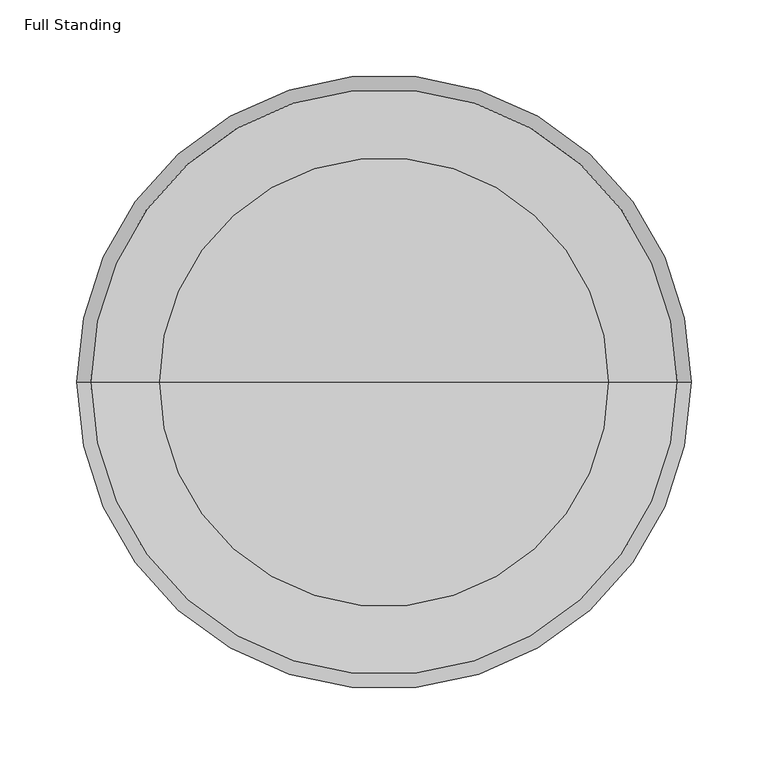
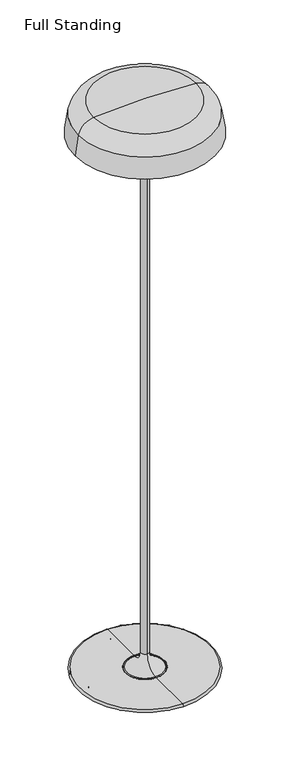
"""IFC4 building model written with IfcOpenShell, lengths in millimetres: light fixture geometry, Full Standing."""

from ifc_helpers import new_model, si_unit, point, frame, frame_2d, origin, origin_with_axes, place, context, project, spatial, polyline, circle_curve, ellipse_curve, trimmed, segment, composite_curve, outline, extrude, source, transform, mapped, element, save
from ifc_brep_helpers import plane_surface, cylinder_surface, revolved_surface, advanced_brep


def full_standing_7d6ab086(model_context):
    return source(origin(), model_context, "Body", "SolidModel", [
        advanced_brep(
        [(199.9486931, 0.0, 1622.2970524), (-200.1013069, 0.0, 1622.2970524), (-191.022028, 0.0, 1682.0025311), (190.8694141, 0.0, 1682.0025311), (197.3636976, 0.0, 1622.2970524), (-197.5163114, 0.0, 1622.2970524), (188.3624242, 0.0, 1681.3944283), (-188.515038, 0.0, 1681.3944283), (145.8324053, 0.0, 1718.0529663), (-145.9850191, 0.0, 1718.0529663), (-0.0763069, 0.0, 1724.619392), (146.0641267, 0.0, 1720.6222255), (-146.2167405, 0.0, 1720.6222255), (-0.0763069, 0.0, 1727.1990795)],
        [
            (0, 1, circle_curve(frame((-0.0763069, 0.0, 1622.2970524), z_axis=(0.0, 0.0, 1.0), x_axis=(-1.0, 0.0, 0.0)), 200.025)),
            (1, 2, circle_curve(frame((146.4885159, 0.0, 1600.1349834), z_axis=(0.0, 1.0, 0.0), x_axis=(1.0, 0.0, 0.0)), 347.2976571)),
            (2, 3, circle_curve(frame((-0.0763069, 0.0, 1682.0025311), z_axis=(0.0, 0.0, -1.0), x_axis=(-1.0, 0.0, 0.0)), 190.945721)),
            (3, 0, circle_curve(frame((-146.6411298, 0.0, 1600.1349834), z_axis=(0.0, 1.0, 0.0), x_axis=(-1.0, 0.0, 0.0)), 347.2976571)),
            (1, 0, circle_curve(frame((-0.0763069, 0.0, 1622.2970524), z_axis=(0.0, 0.0, 1.0), x_axis=(-1.0, 0.0, 0.0)), 200.025)),
            (3, 2, circle_curve(frame((-0.0763069, 0.0, 1682.0025311), z_axis=(0.0, 0.0, -1.0), x_axis=(-1.0, 0.0, 0.0)), 190.945721)),
            (4, 5, circle_curve(frame((-0.0763069, 0.0, 1622.2970524), z_axis=(0.0, 0.0, 1.0), x_axis=(-1.0, 0.0, 0.0)), 197.4400045)),
            (5, 1),
            (0, 4),
            (5, 4, circle_curve(frame((-0.0763069, 0.0, 1622.2970524), z_axis=(0.0, 0.0, 1.0), x_axis=(-1.0, 0.0, 0.0)), 197.4400045)),
            (6, 7, circle_curve(frame((-0.0763069, 0.0, 1681.3944283), z_axis=(0.0, 0.0, 1.0), x_axis=(-1.0, 0.0, 0.0)), 188.4387311)),
            (7, 5, circle_curve(frame((146.4885159, 0.0, 1600.1349834), z_axis=(0.0, -1.0, 0.0), x_axis=(1.0, 0.0, 0.0)), 344.7179696)),
            (4, 6, circle_curve(frame((-146.6411298, 0.0, 1600.1349834), z_axis=(0.0, -1.0, 0.0), x_axis=(-1.0, 0.0, 0.0)), 344.7179696)),
            (7, 6, circle_curve(frame((-0.0763069, 0.0, 1681.3944283), z_axis=(0.0, 0.0, 1.0), x_axis=(-1.0, 0.0, 0.0)), 188.4387311)),
            (8, 9, circle_curve(frame((-0.0763069, 0.0, 1718.0529663), z_axis=(0.0, 0.0, 1.0), x_axis=(-1.0, 0.0, 0.0)), 145.9087122)),
            (9, 7, circle_curve(frame((-141.6536108, 0.0, 1670.027583), z_axis=(0.0, -1.0, 0.0), x_axis=(1.0, 0.0, 0.0)), 48.2203125)),
            (6, 8, circle_curve(frame((141.5009969, 0.0, 1670.027583), z_axis=(0.0, -1.0, 0.0), x_axis=(-1.0, 0.0, 0.0)), 48.2203125)),
            (9, 8, circle_curve(frame((-0.0763069, 0.0, 1718.0529663), z_axis=(0.0, 0.0, 1.0), x_axis=(-1.0, 0.0, 0.0)), 145.9087122)),
            (10, 9, circle_curve(frame((-0.0763069, 0.0, 100.2600289), z_axis=(0.0, -1.0, 0.0), x_axis=(1.0, 0.0, 0.0)), 1624.3593631)),
            (8, 10, circle_curve(frame((-0.0763069, 0.0, 100.2600289), z_axis=(0.0, -1.0, 0.0), x_axis=(-1.0, 0.0, 0.0)), 1624.3593631)),
            (11, 12, circle_curve(frame((-0.0763069, 0.0, 1720.6222255), z_axis=(0.0, 0.0, 1.0), x_axis=(-1.0, 0.0, 0.0)), 146.1404336)),
            (12, 13, circle_curve(frame((-0.0763069, 0.0, 100.2600289), z_axis=(0.0, 1.0, 0.0), x_axis=(1.0, 0.0, 0.0)), 1626.9390506)),
            (13, 11, circle_curve(frame((-0.0763069, 0.0, 100.2600289), z_axis=(0.0, 1.0, 0.0), x_axis=(-1.0, 0.0, 0.0)), 1626.9390506)),
            (12, 11, circle_curve(frame((-0.0763069, 0.0, 1720.6222255), z_axis=(0.0, 0.0, 1.0), x_axis=(-1.0, 0.0, 0.0)), 146.1404336)),
            (2, 12, circle_curve(frame((-141.6536108, 0.0, 1670.027583), z_axis=(0.0, 1.0, 0.0), x_axis=(1.0, 0.0, 0.0)), 50.8)),
            (11, 3, circle_curve(frame((141.5009969, 0.0, 1670.027583), z_axis=(0.0, 1.0, 0.0), x_axis=(-1.0, 0.0, 0.0)), 50.8)),
        ],
        [
            revolved_surface(trimmed(ellipse_curve(frame((146.4885159, 0.0, 1600.1349834), z_axis=(0.0, -1.0, 0.0), x_axis=(1.0, 0.0, 0.0)), 347.2976571, 347.2976571), [point((-191.022028, 0.0, 1682.0025311))], [point((-200.1013069, 0.0, 1622.2970524))], True, "CARTESIAN"), (-0.0763069, 0.0, 1727.1990795), (0.0, 0.0, -1.0)),
            plane_surface(frame((-0.0763069, 0.0, 1622.2970524), z_axis=(0.0, 0.0, -1.0), x_axis=(-1.0, 0.0, 0.0))),
            revolved_surface(trimmed(ellipse_curve(frame((146.4885159, 0.0, 1600.1349834), z_axis=(0.0, 1.0, 0.0), x_axis=(1.0, 0.0, 0.0)), 344.7179696, 344.7179696), [point((-197.5163114, 0.0, 1622.2970524))], [point((-188.515038, 0.0, 1681.3944283))], True, "CARTESIAN"), (-0.0763069, 0.0, 1727.1990795), (0.0, 0.0, -1.0)),
            revolved_surface(trimmed(ellipse_curve(frame((-141.6536108, 0.0, 1670.027583), z_axis=(0.0, 1.0, 0.0), x_axis=(1.0, 0.0, 0.0)), 48.2203125, 48.2203125), [point((-188.515038, 0.0, 1681.3944283))], [point((-145.9850191, 0.0, 1718.0529663))], True, "CARTESIAN"), (-0.0763069, 0.0, 1727.1990795), (0.0, 0.0, -1.0)),
            revolved_surface(trimmed(ellipse_curve(frame((-0.0763069, 0.0, 100.2600289), z_axis=(0.0, 1.0, 0.0), x_axis=(1.0, 0.0, 0.0)), 1624.3593631, 1624.3593631), [point((-145.9850191, 0.0, 1718.0529663))], [point((-0.0763069, 0.0, 1724.619392))], True, "CARTESIAN"), (-0.0763069, 0.0, 1727.1990795), (0.0, 0.0, -1.0)),
            revolved_surface(trimmed(ellipse_curve(frame((-0.0763069, 0.0, 100.2600289), z_axis=(0.0, -1.0, 0.0), x_axis=(1.0, 0.0, 0.0)), 1626.9390506, 1626.9390506), [point((-0.0763069, 0.0, 1727.1990795))], [point((-146.2167405, 0.0, 1720.6222255))], True, "CARTESIAN"), (-0.0763069, 0.0, 1727.1990795), (0.0, 0.0, -1.0)),
            revolved_surface(trimmed(ellipse_curve(frame((-141.6536108, 0.0, 1670.027583), z_axis=(0.0, -1.0, 0.0), x_axis=(1.0, 0.0, 0.0)), 50.8, 50.8), [point((-146.2167405, 0.0, 1720.6222255))], [point((-191.022028, 0.0, 1682.0025311))], True, "CARTESIAN"), (-0.0763069, 0.0, 1727.1990795), (0.0, 0.0, -1.0)),
        ],
        [
            (0, [[1, 2, 3, 4]]),
            (0, [[5, -4, 6, -2]]),
            (1, [[7, 8, -1, 9]]),
            (1, [[10, -9, -5, -8]]),
            (2, [[11, 12, -7, 13]]),
            (2, [[14, -13, -10, -12]]),
            (3, [[15, 16, -11, 17]]),
            (3, [[18, -17, -14, -16]]),
            (4, [[19, -15, 20]]),
            (4, [[-20, -18, -19]]),
            (5, [[21, 22, 23]]),
            (5, [[24, -23, -22]]),
            (6, [[-3, 25, -21, 26]]),
            (6, [[-6, -26, -24, -25]]),
        ],
    ),
        advanced_brep(
        [(-0.0763069, -196.9875458, 1628.4240269), (-0.0763069, 196.9875458, 1628.4240269), (-0.0763069, 0.0, 1622.2970524), (-0.0763069, -196.7671941, 1630.9949868), (-0.0763069, 196.7671941, 1630.9949868), (-0.0763069, 0.0, 1624.8767399)],
        [
            (0, 1, circle_curve(frame((-0.0763069, 0.0, 1628.4240269), z_axis=(0.0, 0.0, -1.0), x_axis=(0.0, 1.0, 0.0)), 196.9875458)),
            (1, 2, circle_curve(frame((-0.0763069, 0.1915666, 4785.8617503), z_axis=(-1.0, 0.0, 0.0), x_axis=(0.0, -1.0, 0.0)), 3163.5647037)),
            (2, 0, circle_curve(frame((-0.0763069, -0.1915666, 4785.8617503), z_axis=(-1.0, 0.0, 0.0), x_axis=(0.0, 1.0, 0.0)), 3163.5647037)),
            (1, 0, circle_curve(frame((-0.0763069, 0.0, 1628.4240269), z_axis=(0.0, 0.0, -1.0), x_axis=(0.0, 1.0, 0.0)), 196.9875458)),
            (3, 4, circle_curve(frame((-0.0763069, 0.0, 1630.9949868), z_axis=(0.0, 0.0, -1.0), x_axis=(0.0, 1.0, 0.0)), 196.7671941)),
            (4, 1),
            (0, 3),
            (4, 3, circle_curve(frame((-0.0763069, 0.0, 1630.9949868), z_axis=(0.0, 0.0, -1.0), x_axis=(0.0, 1.0, 0.0)), 196.7671941)),
            (5, 4, circle_curve(frame((-0.0763069, 0.1915666, 4785.8617503), z_axis=(1.0, 0.0, 0.0), x_axis=(0.0, -1.0, 0.0)), 3160.9850162)),
            (3, 5, circle_curve(frame((-0.0763069, -0.1915666, 4785.8617503), z_axis=(1.0, 0.0, 0.0), x_axis=(0.0, 1.0, 0.0)), 3160.9850162)),
        ],
        [
            revolved_surface(trimmed(ellipse_curve(frame((-0.0763069, 0.1915666, 4785.8617503), z_axis=(1.0, 0.0, 0.0), x_axis=(0.0, -1.0, 0.0)), 3163.5647037, 3163.5647037), [point((-0.0763069, 0.0, 1622.2970524))], [point((-0.0763069, 196.9875458, 1628.4240269))], True, "CARTESIAN"), (-0.0763069, 0.0, 1624.8767399), (0.0, 0.0, 1.0)),
            revolved_surface(polyline([(-0.0763069, 196.9875458, 1628.4240269), (-0.0763069, 196.7671941, 1630.9949868)]), (-0.0763069, 0.0, 1624.8767399), (0.0, 0.0, 1.0)),
            revolved_surface(trimmed(ellipse_curve(frame((-0.0763069, 0.1915666, 4785.8617503), z_axis=(-1.0, 0.0, 0.0), x_axis=(0.0, -1.0, 0.0)), 3160.9850162, 3160.9850162), [point((-0.0763069, 196.7671941, 1630.9949868))], [point((-0.0763069, 0.0, 1624.8767399))], True, "CARTESIAN"), (-0.0763069, 0.0, 1624.8767399), (0.0, 0.0, 1.0)),
        ],
        [
            (0, [[1, 2, 3]]),
            (0, [[4, -3, -2]]),
            (1, [[5, 6, -1, 7]]),
            (1, [[8, -7, -4, -6]]),
            (2, [[9, -5, 10]]),
            (2, [[-10, -8, -9]]),
        ],
    ),
        advanced_brep(
        [(0.0, -54.6099979, 3.2220829), (0.0, 54.6099979, 3.2220829), (0.0, 54.6099979, 8.7629995), (0.0, -54.6099979, 8.7629995), (0.0, -187.198, 3.2220829), (0.0, 187.198, 3.2220829), (0.0, -55.8799979, 10.0329995), (0.0, 55.8799979, 10.0329995), (0.0, 185.4242158, 10.0329995), (0.0, -185.4242158, 10.0329995), (0.0, -187.198, 4.7460829), (0.0, 187.198, 4.7460829), (0.0, -190.5, 4.7460829), (0.0, 190.5, 4.7460829)],
        [
            (0, 1, circle_curve(frame((0.0, 0.0, 3.2220829), z_axis=(0.0, 0.0, -1.0), x_axis=(0.0, 1.0, 0.0)), 54.6099979)),
            (1, 2),
            (2, 3, circle_curve(frame((0.0, 0.0, 8.7629995), z_axis=(0.0, 0.0, 1.0), x_axis=(0.0, 1.0, 0.0)), 54.6099979)),
            (3, 0),
            (1, 0, circle_curve(frame((0.0, 0.0, 3.2220829), z_axis=(0.0, 0.0, -1.0), x_axis=(0.0, 1.0, 0.0)), 54.6099979)),
            (3, 2, circle_curve(frame((0.0, 0.0, 8.7629995), z_axis=(0.0, 0.0, 1.0), x_axis=(0.0, 1.0, 0.0)), 54.6099979)),
            (4, 5, circle_curve(frame((0.0, 0.0, 3.2220829), z_axis=(0.0, 0.0, -1.0), x_axis=(0.0, 1.0, 0.0)), 187.198)),
            (5, 1),
            (0, 4),
            (5, 4, circle_curve(frame((0.0, 0.0, 3.2220829), z_axis=(0.0, 0.0, -1.0), x_axis=(0.0, 1.0, 0.0)), 187.198)),
            (6, 7, circle_curve(frame((0.0, 0.0, 10.0329995), z_axis=(0.0, 0.0, -1.0), x_axis=(0.0, 1.0, 0.0)), 55.8799979)),
            (7, 8),
            (8, 9, circle_curve(frame((0.0, 0.0, 10.0329995), z_axis=(0.0, 0.0, 1.0), x_axis=(0.0, 1.0, 0.0)), 185.4242158)),
            (9, 6),
            (7, 6, circle_curve(frame((0.0, 0.0, 10.0329995), z_axis=(0.0, 0.0, -1.0), x_axis=(0.0, 1.0, 0.0)), 55.8799979)),
            (9, 8, circle_curve(frame((0.0, 0.0, 10.0329995), z_axis=(0.0, 0.0, 1.0), x_axis=(0.0, 1.0, 0.0)), 185.4242158)),
            (10, 11, circle_curve(frame((0.0, 0.0, 4.7460829), z_axis=(0.0, 0.0, -1.0), x_axis=(0.0, 1.0, 0.0)), 187.198)),
            (11, 5),
            (4, 10),
            (11, 10, circle_curve(frame((0.0, 0.0, 4.7460829), z_axis=(0.0, 0.0, -1.0), x_axis=(0.0, 1.0, 0.0)), 187.198)),
            (12, 13, circle_curve(frame((0.0, 0.0, 4.7460829), z_axis=(0.0, 0.0, -1.0), x_axis=(0.0, 1.0, 0.0)), 190.5)),
            (13, 11),
            (10, 12),
            (13, 12, circle_curve(frame((0.0, 0.0, 4.7460829), z_axis=(0.0, 0.0, -1.0), x_axis=(0.0, 1.0, 0.0)), 190.5)),
            (8, 13, circle_curve(frame((0.0, 185.4242158, 4.9529995), z_axis=(-1.0, 0.0, 0.0), x_axis=(0.0, 1.0, 0.0)), 5.08)),
            (12, 9, circle_curve(frame((0.0, -185.4242158, 4.9529995), z_axis=(-1.0, 0.0, 0.0), x_axis=(0.0, -1.0, 0.0)), 5.08)),
            (2, 7, circle_curve(frame((0.0, 55.8799979, 8.7629995), z_axis=(-1.0, 0.0, 0.0), x_axis=(0.0, 1.0, 0.0)), 1.27)),
            (6, 3, circle_curve(frame((0.0, -55.8799979, 8.7629995), z_axis=(-1.0, 0.0, 0.0), x_axis=(0.0, -1.0, 0.0)), 1.27)),
        ],
        [
            revolved_surface(polyline([(0.0, 54.6099979, 8.7629995), (0.0, 54.6099979, 3.2220829)]), (0.0, 0.0, 3.1750001), (0.0, 0.0, 1.0)),
            plane_surface(frame((0.0, 0.0, 3.2220829), z_axis=(0.0, 0.0, -1.0), x_axis=(0.0, 1.0, 0.0))),
            plane_surface(frame((0.0, 0.0, 10.0329995), z_axis=(0.0, 0.0, 1.0), x_axis=(0.0, 1.0, 0.0))),
            cylinder_surface(frame((0.0, 0.0, 3.1750001), z_axis=(0.0, 0.0, 1.0), x_axis=(0.0, 1.0, 0.0)), 187.198),
            plane_surface(frame((0.0, 0.0, 4.7460829), z_axis=(0.0, 0.0, -1.0), x_axis=(0.0, 1.0, 0.0))),
            revolved_surface(trimmed(ellipse_curve(frame((0.0, 185.4242158, 4.9529995), z_axis=(1.0, 0.0, 0.0), x_axis=(0.0, 1.0, 0.0)), 5.08, 5.08), [point((0.0, 190.5, 4.7460829))], [point((0.0, 185.4242158, 10.0329995))], True, "CARTESIAN"), (0.0, 0.0, 3.1750001), (0.0, 0.0, 1.0)),
            revolved_surface(trimmed(ellipse_curve(frame((0.0, 55.8799979, 8.7629995), z_axis=(1.0, 0.0, 0.0), x_axis=(0.0, 1.0, 0.0)), 1.27, 1.27), [point((0.0, 55.8799979, 10.0329995))], [point((0.0, 54.6099979, 8.7629995))], True, "CARTESIAN"), (0.0, 0.0, 3.1750001), (0.0, 0.0, 1.0)),
        ],
        [
            (0, [[1, 2, 3, 4]]),
            (0, [[5, -4, 6, -2]]),
            (1, [[7, 8, -1, 9]]),
            (1, [[10, -9, -5, -8]]),
            (2, [[11, 12, 13, 14]]),
            (2, [[15, -14, 16, -12]]),
            (3, [[17, 18, -7, 19]]),
            (3, [[20, -19, -10, -18]]),
            (4, [[21, 22, -17, 23]]),
            (4, [[24, -23, -20, -22]]),
            (5, [[-13, 25, -21, 26]]),
            (5, [[-16, -26, -24, -25]]),
            (6, [[-3, 27, -11, 28]]),
            (6, [[-6, -28, -15, -27]]),
        ],
    ),
        advanced_brep(
        [(0.0, -54.6099979, 6.9822538), (0.0, 54.6099979, 6.9822538), (0.0, 54.6099979, 3.1750001), (0.0, -54.6099979, 3.1750001), (0.0, -51.6661089, 10.1488313), (0.0, 51.6661089, 10.1488313), (0.0, -10.922, 53.975), (0.0, 10.922, 53.975), (0.0, -10.922, 1617.9790384), (0.0, 10.922, 1617.9790384), (0.0, -26.0350001, 1619.5633932), (0.0, 26.0350002, 1619.5633932), (0.0, 12.7000006, 1617.9790384), (0.0, -12.7000006, 1617.9790384), (0.0, -26.0350001, 1622.2970524), (0.0, 26.0350002, 1622.2970524), (0.0, 0.0, 1622.2970524), (0.0, 0.0, 3.1750001)],
        [
            (0, 1, circle_curve(frame((0.0, 0.0, 6.9822538), z_axis=(0.0, 0.0, -1.0), x_axis=(0.0, 1.0, 0.0)), 54.6099979)),
            (1, 2),
            (2, 3, circle_curve(frame((0.0, 0.0, 3.1750001), z_axis=(0.0, 0.0, 1.0), x_axis=(0.0, 1.0, 0.0)), 54.6099979)),
            (3, 0),
            (1, 0, circle_curve(frame((0.0, 0.0, 6.9822538), z_axis=(0.0, 0.0, -1.0), x_axis=(0.0, 1.0, 0.0)), 54.6099979)),
            (3, 2, circle_curve(frame((0.0, 0.0, 3.1750001), z_axis=(0.0, 0.0, 1.0), x_axis=(0.0, 1.0, 0.0)), 54.6099979)),
            (4, 5, circle_curve(frame((0.0, 0.0, 10.1488313), z_axis=(0.0, 0.0, -1.0), x_axis=(0.0, 1.0, 0.0)), 51.6661089)),
            (5, 1, circle_curve(frame((0.0, 51.4349979, 6.9822538), z_axis=(-1.0, 0.0, 0.0), x_axis=(0.0, 1.0, 0.0)), 3.175)),
            (0, 4, circle_curve(frame((0.0, -51.4349979, 6.9822538), z_axis=(-1.0, 0.0, 0.0), x_axis=(0.0, -1.0, 0.0)), 3.175)),
            (5, 4, circle_curve(frame((0.0, 0.0, 10.1488313), z_axis=(0.0, 0.0, -1.0), x_axis=(0.0, 1.0, 0.0)), 51.6661089)),
            (6, 7, circle_curve(frame((0.0, 0.0, 53.975), z_axis=(0.0, 0.0, -1.0), x_axis=(0.0, 1.0, 0.0)), 10.922)),
            (7, 5, circle_curve(frame((0.0, 54.8647389, 53.975), z_axis=(1.0, 0.0, 0.0), x_axis=(0.0, 1.0, 0.0)), 43.9427389)),
            (4, 6, circle_curve(frame((0.0, -54.8647389, 53.975), z_axis=(1.0, 0.0, 0.0), x_axis=(0.0, -1.0, 0.0)), 43.9427389)),
            (7, 6, circle_curve(frame((0.0, 0.0, 53.975), z_axis=(0.0, 0.0, -1.0), x_axis=(0.0, 1.0, 0.0)), 10.922)),
            (8, 9, circle_curve(frame((0.0, 0.0, 1617.9790384), z_axis=(0.0, 0.0, -1.0), x_axis=(0.0, 1.0, 0.0)), 10.922)),
            (9, 7),
            (6, 8),
            (9, 8, circle_curve(frame((0.0, 0.0, 1617.9790384), z_axis=(0.0, 0.0, -1.0), x_axis=(0.0, 1.0, 0.0)), 10.922)),
            (10, 11, circle_curve(frame((0.0, 0.0, 1619.5633932), z_axis=(0.0, 0.0, -1.0), x_axis=(0.0, 1.0, 0.0)), 26.0350001)),
            (11, 12),
            (12, 13, circle_curve(frame((0.0, 0.0, 1617.9790384), z_axis=(0.0, 0.0, 1.0), x_axis=(0.0, 1.0, 0.0)), 12.7000006)),
            (13, 10),
            (11, 10, circle_curve(frame((0.0, 0.0, 1619.5633932), z_axis=(0.0, 0.0, -1.0), x_axis=(0.0, 1.0, 0.0)), 26.0350001)),
            (13, 12, circle_curve(frame((0.0, 0.0, 1617.9790384), z_axis=(0.0, 0.0, 1.0), x_axis=(0.0, 1.0, 0.0)), 12.7000006)),
            (14, 15, circle_curve(frame((0.0, 0.0, 1622.2970524), z_axis=(0.0, 0.0, -1.0), x_axis=(0.0, 1.0, 0.0)), 26.0350001)),
            (15, 11),
            (10, 14),
            (15, 14, circle_curve(frame((0.0, 0.0, 1622.2970524), z_axis=(0.0, 0.0, -1.0), x_axis=(0.0, 1.0, 0.0)), 26.0350001)),
            (16, 15),
            (14, 16),
            (2, 17),
            (17, 3),
            (12, 9),
            (8, 13),
        ],
        [
            cylinder_surface(frame((0.0, 0.0, 3.1750001), z_axis=(0.0, 0.0, 1.0), x_axis=(0.0, 1.0, 0.0)), 54.6099979),
            revolved_surface(trimmed(ellipse_curve(frame((0.0, 51.4349979, 6.9822538), z_axis=(1.0, 0.0, 0.0), x_axis=(0.0, 1.0, 0.0)), 3.175, 3.175), [point((0.0, 54.6099979, 6.9822538))], [point((0.0, 51.6661089, 10.1488313))], True, "CARTESIAN"), (0.0, 0.0, 3.1750001), (0.0, 0.0, 1.0)),
            revolved_surface(trimmed(ellipse_curve(frame((0.0, 54.8647389, 53.975), z_axis=(-1.0, 0.0, 0.0), x_axis=(0.0, 1.0, 0.0)), 43.9427389, 43.9427389), [point((0.0, 51.6661089, 10.1488313))], [point((0.0, 10.922, 53.975))], True, "CARTESIAN"), (0.0, 0.0, 3.1750001), (0.0, 0.0, 1.0)),
            cylinder_surface(frame((0.0, 0.0, 3.1750001), z_axis=(0.0, 0.0, 1.0), x_axis=(0.0, 1.0, 0.0)), 10.922),
            revolved_surface(polyline([(0.0, 12.7000006, 1617.9790384), (0.0, 26.0350002, 1619.5633932)]), (0.0, 0.0, 3.1750001), (0.0, 0.0, 1.0)),
            cylinder_surface(frame((0.0, 0.0, 3.1750001), z_axis=(0.0, 0.0, 1.0), x_axis=(0.0, 1.0, 0.0)), 26.0350001),
            plane_surface(frame((0.0, 0.0, 1622.2970524), z_axis=(0.0, 0.0, 1.0), x_axis=(0.0, 1.0, 0.0))),
            plane_surface(frame((0.0, 0.0, 3.1750001), z_axis=(0.0, 0.0, -1.0), x_axis=(0.0, 1.0, 0.0))),
            plane_surface(frame((0.0, 0.0, 1617.9790384), z_axis=(0.0, 0.0, -1.0), x_axis=(0.0, 1.0, 0.0))),
        ],
        [
            (0, [[1, 2, 3, 4]]),
            (0, [[5, -4, 6, -2]]),
            (1, [[7, 8, -1, 9]]),
            (1, [[10, -9, -5, -8]]),
            (2, [[11, 12, -7, 13]]),
            (2, [[14, -13, -10, -12]]),
            (3, [[15, 16, -11, 17]]),
            (3, [[18, -17, -14, -16]]),
            (4, [[19, 20, 21, 22]]),
            (4, [[23, -22, 24, -20]]),
            (5, [[25, 26, -19, 27]]),
            (5, [[28, -27, -23, -26]]),
            (6, [[29, -25, 30]]),
            (6, [[-30, -28, -29]]),
            (7, [[-3, 31, 32]]),
            (7, [[-6, -32, -31]]),
            (8, [[-21, 33, -15, 34]]),
            (8, [[-24, -34, -18, -33]]),
        ],
    ),
        extrude(outline(composite_curve([segment(trimmed(circle_curve(frame_2d((-149.3013099, 0.0)), 10.9072285), [point((-138.3940815, 0.0))], [point((-160.2085384, 0.0))], False, "CARTESIAN"), True, "CONTINUOUS"), segment(trimmed(circle_curve(frame_2d((-149.3013099, 0.0)), 10.9072285), [point((-160.2085384, 0.0))], [point((-138.3940815, 0.0))], False, "CARTESIAN"), True, "CONTINUOUS")], self_intersect=False)), origin_with_axes(), (0.0, 0.0, 1.0), 3.1750001),
        extrude(outline(composite_curve([segment(trimmed(circle_curve(frame_2d((-0.0763069, 149.225003)), 10.9220098), [point((10.8457029, 149.225003))], [point((-10.9983167, 149.225003))], False, "CARTESIAN"), True, "CONTINUOUS"), segment(trimmed(circle_curve(frame_2d((-0.0763069, 149.225003)), 10.9220098), [point((-10.9983167, 149.225003))], [point((10.8457029, 149.225003))], False, "CARTESIAN"), True, "CONTINUOUS")], self_intersect=False)), origin_with_axes(), (0.0, 0.0, 1.0), 3.1750001),
        extrude(outline(composite_curve([segment(trimmed(circle_curve(frame_2d((149.1486961, 0.0)), 10.9220098), [point((160.0707059, 0.0))], [point((138.2266863, 0.0))], False, "CARTESIAN"), True, "CONTINUOUS"), segment(trimmed(circle_curve(frame_2d((149.1486961, 0.0)), 10.9220098), [point((138.2266863, 0.0))], [point((160.0707059, 0.0))], False, "CARTESIAN"), True, "CONTINUOUS")], self_intersect=False)), origin_with_axes(), (0.0, 0.0, 1.0), 3.1750001),
        extrude(outline(composite_curve([segment(trimmed(circle_curve(frame_2d((-0.0763069, -149.225003)), 10.9092151), [point((10.8329082, -149.225003))], [point((-10.985522, -149.225003))], False, "CARTESIAN"), True, "CONTINUOUS"), segment(trimmed(circle_curve(frame_2d((-0.0763069, -149.225003)), 10.9092151), [point((-10.985522, -149.225003))], [point((10.8329082, -149.225003))], False, "CARTESIAN"), True, "CONTINUOUS")], self_intersect=False)), origin_with_axes(), (0.0, 0.0, 1.0), 3.1750001),
    ])


if __name__ == "__main__":
    model = new_model("IFC4")
    model_context = context("Model", 3, world=origin())
    ifc_project = project(units=[si_unit("LENGTHUNIT", "METRE", prefix="MILLI")], contexts=[model_context])
    site = spatial("IfcSite", under=ifc_project)
    building = spatial("IfcBuilding", under=site)
    placement = place(None, origin())
    full_standing_shape = full_standing_7d6ab086(model_context)
    element("IfcLightFixture", 1, ObjectType="Full Standing", at=placement, inside=building, context=model_context, shape_type="MappedRepresentation", body=[
        mapped(full_standing_shape, transform((0.0, 0.0, 0.0), x_axis=(1.0, 0.0, 0.0), y_axis=(0.0, 1.0, 0.0), z_axis=(0.0, 0.0, 1.0))),
    ])
    save(model, "model.ifc")
